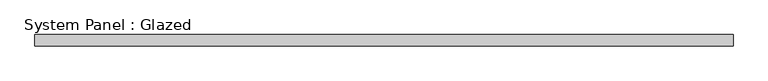
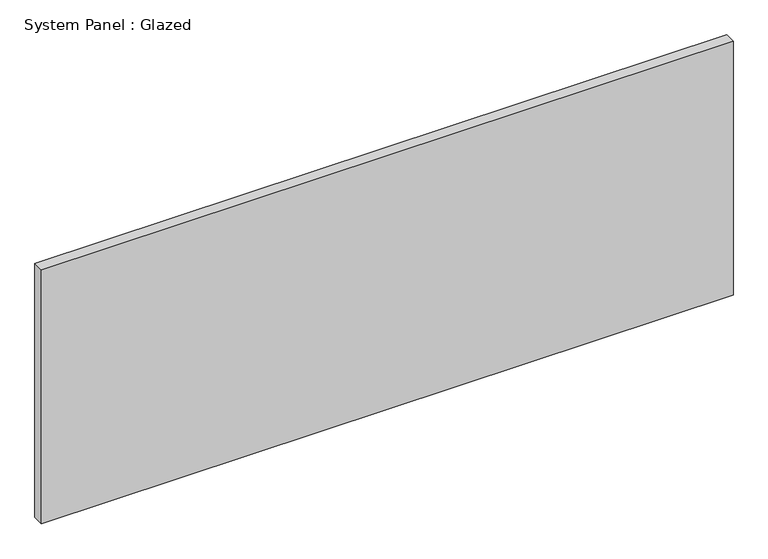
"""IFC4 building model written with IfcOpenShell, lengths in millimetres: plate geometry, System Panel : Glazed."""

from ifc_helpers import new_model, si_unit, origin, origin_with_axes, place, context, project, spatial, polyline, outline, extrude, source, transform, mapped, element, save


def system_panel_glazed_5b8ac280(model_context):
    return source(origin(), model_context, "Body", "SweptSolid", [
        extrude(outline(polyline([(785.5763619, 19.05), (-785.5763619, 19.05), (-785.5763619, 44.45), (785.5763619, 44.45), (785.5763619, 19.05)])), origin_with_axes(), (0.0, 0.0, 1.0), 609.6),
    ])


if __name__ == "__main__":
    model = new_model("IFC4")
    model_context = context("Model", 3, world=origin())
    ifc_project = project(units=[si_unit("LENGTHUNIT", "METRE", prefix="MILLI")], contexts=[model_context])
    site = spatial("IfcSite", under=ifc_project)
    building = spatial("IfcBuilding", under=site)
    placement = place(None, origin())
    system_panel_glazed_shape = system_panel_glazed_5b8ac280(model_context)
    element("IfcPlate", 1, ObjectType="System Panel : Glazed", at=placement, inside=building, context=model_context, shape_type="MappedRepresentation", body=[
        mapped(system_panel_glazed_shape, transform((0.0, 0.0, 0.0), x_axis=(1.0, 0.0, 0.0), y_axis=(0.0, 1.0, 0.0), z_axis=(0.0, 0.0, 1.0))),
    ])
    save(model, "model.ifc")
